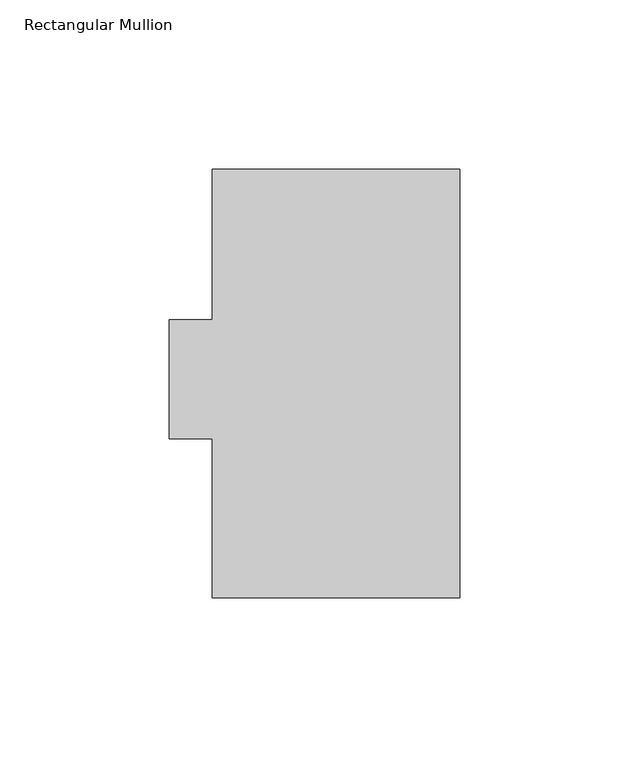
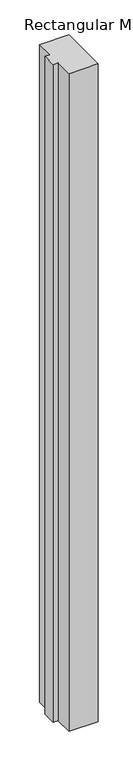
"""IFC4 building model written with IfcOpenShell, lengths in millimetres: member geometry, Rectangular Mullion."""

from ifc_helpers import new_model, si_unit, frame, origin, place, context, project, spatial, polyline, outline, extrude, source, transform, mapped, element, save


def rectangular_mullion_e88ae1f3(model_context):
    return source(origin(), model_context, "Body", "SweptSolid", [
        extrude(outline(polyline([(-73.025, 126.46025), (0.0, 126.46025), (0.0, -0.03175), (-73.025, -0.03175), (-73.025, 46.83125), (-85.725, 46.83125), (-85.725, 82.01025), (-73.025, 82.01025), (-73.025, 126.46025)])), frame((0.0, 0.0, -1739.9005426), z_axis=(0.0, 0.0, 1.0), x_axis=(1.0, 0.0, 0.0)), (0.0, 0.0, 1.0), 1739.9005426),
    ])


if __name__ == "__main__":
    model = new_model("IFC4")
    model_context = context("Model", 3, world=origin())
    ifc_project = project(units=[si_unit("LENGTHUNIT", "METRE", prefix="MILLI")], contexts=[model_context])
    site = spatial("IfcSite", under=ifc_project)
    building = spatial("IfcBuilding", under=site)
    placement = place(None, origin())
    rectangular_mullion_shape = rectangular_mullion_e88ae1f3(model_context)
    element("IfcMember", 1, ObjectType="Rectangular Mullion", at=placement, inside=building, context=model_context, shape_type="MappedRepresentation", body=[
        mapped(rectangular_mullion_shape, transform((0.0, 0.0, 0.0), x_axis=(1.0, 0.0, 0.0), y_axis=(0.0, 1.0, 0.0), z_axis=(0.0, 0.0, 1.0))),
    ])
    save(model, "model.ifc")
